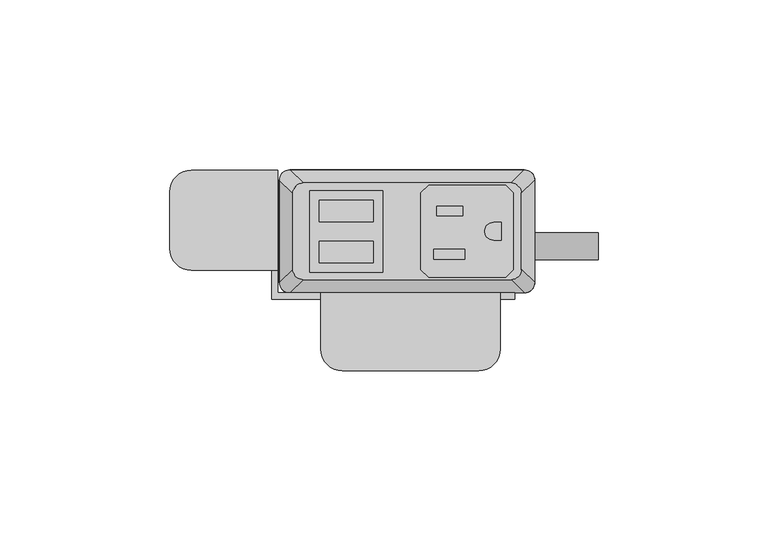
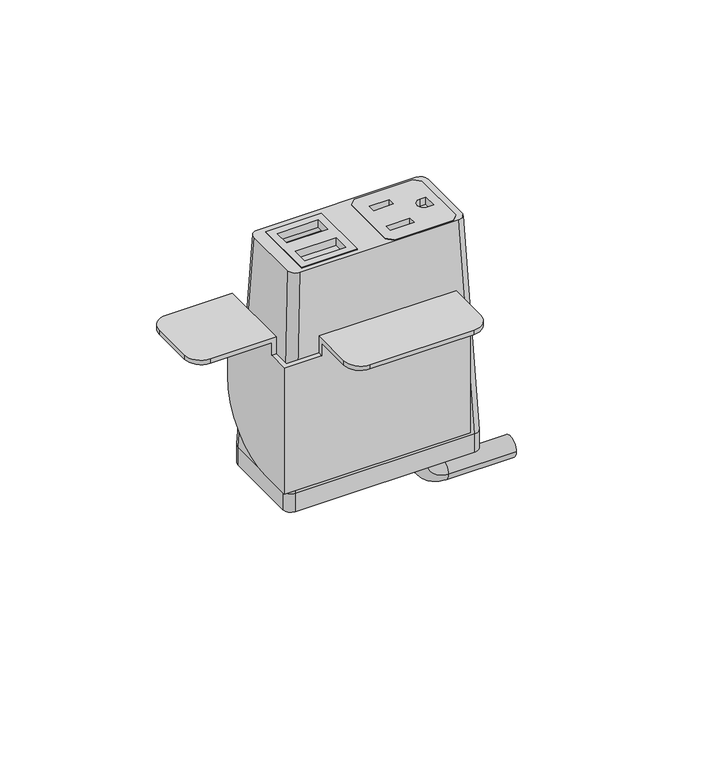
"""IFC4 building model written with IfcOpenShell, lengths in millimetres: furniture geometry."""

from ifc_helpers import new_model, si_unit, point, frame, frame_2d, origin, place, context, project, spatial, polyline, circle_curve, ellipse_curve, trimmed, segment, composite_curve, outline, extrude, source, transform, mapped, element, save
from ifc_brep_helpers import plane_surface, cylinder_surface, revolved_surface, extruded_surface, advanced_brep


def furniture_7bc5276d(model_context):
    return source(origin(), model_context, "Body", "SolidModel", [
        extrude(outline(polyline([(28.9877496, 31.6867491), (31.2737497, 29.400774), (31.2737497, 6.7950272), (28.9877496, 4.5090526), (6.3817502, 4.5090526), (4.0957501, 6.7950272), (4.0957501, 29.400774), (6.3817502, 31.6867491), (28.9877496, 31.6867491)]), holes=[polyline([(16.3893498, 25.5262103), (8.71855, 25.5262103), (8.71855, 22.6814439), (16.3893498, 22.6814439), (16.3893498, 25.5262103)]), polyline([(17.0497496, 12.7755533), (7.8041498, 12.7755533), (7.8041498, 9.9307858), (17.0497496, 9.9307858), (17.0497496, 12.7755533)]), composite_curve([segment(polyline([(27.7177508, 20.7140722), (25.4427305, 20.7140722)]), True, "CONTINUOUS"), segment(trimmed(circle_curve(frame_2d((25.4427305, 18.0979012)), 2.616171), [point((25.4427305, 20.7140722))], [point((25.4427305, 15.4817301))], True, "CARTESIAN"), True, "CONTINUOUS"), segment(polyline([(25.4427305, 15.4817301), (27.7177508, 15.4817301), (27.7177508, 20.7140722)]), True, "CONTINUOUS")], self_intersect=False)]), frame((0.0, 0.0, 751.9347965), z_axis=(0.0, 0.0, 1.0), x_axis=(1.0, 0.0, 0.0)), (0.0, 0.0, 1.0), 2.9555086),
        extrude(outline(polyline([(-28.6985163, 30.0736276), (-7.143469, 30.0736276), (-7.143469, 6.0162042), (-28.6985163, 6.0162042), (-28.6985163, 30.0736276)]), holes=[polyline([(-9.9834931, 27.2024139), (-25.8584916, 27.2025547), (-25.8584916, 20.8524858), (-9.9834931, 20.8524858), (-9.9834931, 27.2024139)]), polyline([(-9.9834931, 15.1725012), (-25.8584916, 15.1726408), (-25.8584916, 8.8225725), (-9.9834931, 8.8225725), (-9.9834931, 15.1725012)])]), frame((0.0, 0.0, 751.9347965), z_axis=(0.0, 0.0, 1.0), x_axis=(1.0, 0.0, 0.0)), (0.0, 0.0, 1.0), 2.9555086),
        advanced_brep(
        [(-30.6070003, 32.3219007, 754.8771223), (-33.6549997, 29.2739013, 754.8771223), (-33.6549997, 6.9219002, 754.8771223), (-30.6070003, 3.8739008, 754.8771223), (30.6070003, 3.8739008, 754.8771223), (33.6549997, 6.9219002, 754.8771223), (33.6549997, 29.2739013, 754.8771223), (30.6070003, 32.3219007, 754.8771223), (-7.143469, 30.0736276, 754.8771223), (-7.143469, 6.0162042, 754.8771223), (-28.6985163, 6.0162042, 754.8771223), (-28.6985163, 30.0736276, 754.8771223), (4.0957501, 29.400774, 754.8771223), (6.3817502, 31.6867491, 754.8771223), (28.9877496, 31.6867491, 754.8771223), (31.2737497, 29.400774, 754.8771223), (31.2737497, 6.7950272, 754.8771223), (28.9877496, 4.5090526, 754.8771223), (6.3817502, 4.5090526, 754.8771223), (4.0957501, 6.7950272, 754.8771223), (-34.5440011, 36.1954015, 668.5303034), (34.5440011, 36.1954015, 668.5303034), (37.5920005, 33.1474021, 668.5303034), (37.5920005, 3.0484002, 668.5303034), (34.5440011, 0.0004009, 668.5303034), (-34.5440011, 0.0004009, 668.5303034), (-37.5920005, 3.0484002, 668.5303034), (-37.5920005, 33.1474021, 668.5303034), (-7.143469, 30.0736276, 747.7351811), (-28.6985163, 30.0736276, 747.7351811), (-28.6985163, 6.0162042, 747.7351811), (-7.143469, 6.0162042, 747.7351811), (4.0957501, 29.400774, 747.7351811), (4.0957501, 6.7950272, 747.7351811), (6.3817502, 4.5090526, 747.7351811), (28.9877496, 4.5090526, 747.7351811), (31.2737497, 6.7950272, 747.7351811), (31.2737497, 29.400774, 747.7351811), (28.9877496, 31.6867491, 747.7351811), (6.3817502, 31.6867491, 747.7351811)],
        [
            (0, 1, circle_curve(frame((-30.6070003, 29.2739013, 754.8771223), z_axis=(0.0, 0.0, 1.0), x_axis=(-1.0, 0.0, 0.0)), 3.0479994)),
            (1, 2),
            (2, 3, circle_curve(frame((-30.6070003, 6.9219002, 754.8771223), z_axis=(0.0, 0.0, 1.0), x_axis=(-1.0, 0.0, 0.0)), 3.0479994)),
            (3, 4),
            (4, 5, circle_curve(frame((30.6070003, 6.9219002, 754.8771223), z_axis=(0.0, 0.0, 1.0), x_axis=(-1.0, 0.0, 0.0)), 3.0479994)),
            (5, 6),
            (6, 7, circle_curve(frame((30.6070003, 29.2739013, 754.8771223), z_axis=(0.0, 0.0, 1.0), x_axis=(-1.0, 0.0, 0.0)), 3.0479994)),
            (7, 0),
            (8, 9),
            (9, 10),
            (10, 11),
            (11, 8),
            (12, 13),
            (13, 14),
            (14, 15),
            (15, 16),
            (16, 17),
            (17, 18),
            (18, 19),
            (19, 12),
            (20, 21),
            (21, 22, circle_curve(frame((34.5440011, 33.1474021, 668.5303034), z_axis=(0.0, 0.0, -1.0), x_axis=(-1.0, 0.0, 0.0)), 3.0479994)),
            (22, 23),
            (23, 24, circle_curve(frame((34.5440011, 3.0484002, 668.5303034), z_axis=(0.0, 0.0, -1.0), x_axis=(-1.0, 0.0, 0.0)), 3.0479994)),
            (24, 25),
            (25, 26, circle_curve(frame((-34.5440011, 3.0484002, 668.5303034), z_axis=(0.0, 0.0, -1.0), x_axis=(-1.0, 0.0, 0.0)), 3.0479994)),
            (26, 27),
            (27, 20, circle_curve(frame((-34.5440011, 33.1474021, 668.5303034), z_axis=(0.0, 0.0, -1.0), x_axis=(-1.0, 0.0, 0.0)), 3.0479994)),
            (0, 20),
            (27, 1),
            (26, 2),
            (25, 3),
            (24, 4),
            (23, 5),
            (22, 6),
            (21, 7),
            (28, 29),
            (29, 30),
            (30, 31),
            (31, 28),
            (32, 33),
            (33, 34),
            (34, 35),
            (35, 36),
            (36, 37),
            (37, 38),
            (38, 39),
            (39, 32),
            (31, 9),
            (8, 28),
            (30, 10),
            (29, 11),
            (39, 13),
            (12, 32),
            (38, 14),
            (37, 15),
            (36, 16),
            (35, 17),
            (34, 18),
            (33, 19),
        ],
        [
            plane_surface(frame((0.0, 18.0979007, 754.8771223), z_axis=(0.0, 0.0, 1.0), x_axis=(-1.0, 0.0, 0.0))),
            plane_surface(frame((0.0, 18.0979012, 668.5303034), z_axis=(0.0, 0.0, -1.0), x_axis=(-1.0, 0.0, 0.0))),
            extruded_surface(trimmed(circle_curve(frame((-34.5440011, 33.1474021, 668.5303034), z_axis=(0.0, 0.0, 1.0), x_axis=(-1.0, 0.0, 0.0)), 3.0479994), [point((-34.5440011, 36.1954015, 668.5303034))], [point((-37.5920005, 33.1474021, 668.5303034))], True, "CARTESIAN"), (3.9370008000000034, -3.873500800000002, 86.34681890000002), 86.52327500676452),
            plane_surface(frame((-37.5920005, 18.0979012, 668.5303034), z_axis=(-0.9989621566211194, 0.0, 0.04554788292425982), x_axis=(0.0, -1.0, 0.0))),
            extruded_surface(trimmed(circle_curve(frame((-34.5440011, 3.0484002, 668.5303034), z_axis=(0.0, 0.0, 1.0), x_axis=(-1.0, 0.0, 0.0)), 3.0479994), [point((-37.5920005, 3.0484002, 668.5303034))], [point((-34.5440011, 0.0004009, 668.5303034))], True, "CARTESIAN"), (3.9370008000000034, 3.8734999999999995, 86.34681890000002), 86.52327497094987),
            plane_surface(frame((0.0, 0.0004009, 668.5303034), z_axis=(0.0, -0.9989953158490498, 0.044814717578687276), x_axis=(1.0, 0.0, 0.0))),
            extruded_surface(trimmed(circle_curve(frame((34.5440011, 3.0484002, 668.5303034), z_axis=(0.0, 0.0, 1.0), x_axis=(-1.0, 0.0, 0.0)), 3.0479994), [point((34.5440011, 0.0004009, 668.5303034))], [point((37.5920005, 3.0484002, 668.5303034))], True, "CARTESIAN"), (-3.9370008000000034, 3.8734999999999995, 86.34681890000002), 86.52327497094987),
            plane_surface(frame((37.5920005, 18.0979012, 668.5303034), z_axis=(0.9989621566211194, 0.0, 0.04554788292425977), x_axis=(0.0, 1.0, 0.0))),
            extruded_surface(trimmed(circle_curve(frame((34.5440011, 33.1474021, 668.5303034), z_axis=(0.0, 0.0, 1.0), x_axis=(-1.0, 0.0, 0.0)), 3.0479994), [point((37.5920005, 33.1474021, 668.5303034))], [point((34.5440011, 36.1954015, 668.5303034))], True, "CARTESIAN"), (-3.9370008000000034, -3.873500800000002, 86.34681890000002), 86.52327500676452),
            plane_surface(frame((0.0, 36.1954015, 668.5303034), z_axis=(0.0, 0.9989953153818162, 0.04481472799410512), x_axis=(-1.0, 0.0, 0.0))),
            plane_surface(frame((-7.143469, 30.0736276, 747.7351811), z_axis=(0.0, 0.0, 1.0), x_axis=(0.0, -1.0, 0.0))),
            plane_surface(frame((-7.143469, 30.0736276, 747.7351811), z_axis=(-1.0, 0.0, 0.0), x_axis=(0.0, 0.0, 1.0))),
            plane_surface(frame((-7.143469, 6.0162042, 747.7351811), z_axis=(0.0, 1.0, 0.0), x_axis=(0.0, 0.0, 1.0))),
            plane_surface(frame((-28.6985163, 6.0162042, 747.7351811), z_axis=(1.0, 0.0, 0.0), x_axis=(0.0, 0.0, 1.0))),
            plane_surface(frame((-28.6985163, 30.0736276, 747.7351811), z_axis=(0.0, -1.0, 0.0), x_axis=(0.0, 0.0, 1.0))),
            plane_surface(frame((4.0957501, 29.400774, 747.7351811), z_axis=(0.7071029176939239, -0.707110644658062, 0.0), x_axis=(0.0, 0.0, 1.0))),
            plane_surface(frame((6.3817502, 31.6867491, 747.7351811), z_axis=(0.0, -1.0, 0.0), x_axis=(0.0, 0.0, 1.0))),
            plane_surface(frame((28.9877496, 31.6867491, 747.7351811), z_axis=(-0.7071029176939239, -0.707110644658062, 0.0), x_axis=(0.0, 0.0, 1.0))),
            plane_surface(frame((31.2737497, 29.400774, 747.7351811), z_axis=(-1.0, 0.0, 0.0), x_axis=(0.0, 0.0, 1.0))),
            plane_surface(frame((31.2737497, 6.7950272, 747.7351811), z_axis=(-0.7071028298865373, 0.7071107324644781, 0.0), x_axis=(0.0, 0.0, 1.0))),
            plane_surface(frame((28.9877496, 4.5090526, 747.7351811), z_axis=(0.0, 1.0, 0.0), x_axis=(0.0, 0.0, 1.0))),
            plane_surface(frame((6.3817502, 4.5090526, 747.7351811), z_axis=(0.7071028298865373, 0.7071107324644781, 0.0), x_axis=(0.0, 0.0, 1.0))),
            plane_surface(frame((4.0957501, 6.7950272, 747.7351811), z_axis=(1.0, 0.0, 0.0), x_axis=(0.0, 0.0, 1.0))),
        ],
        [
            (0, [[1, 2, 3, 4, 5, 6, 7, 8], [9, 10, 11, 12], [13, 14, 15, 16, 17, 18, 19, 20]]),
            (1, [[21, 22, 23, 24, 25, 26, 27, 28]]),
            (2, [[-1, 29, -28, 30]]),
            (3, [[-2, -30, -27, 31]]),
            (4, [[-3, -31, -26, 32]]),
            (5, [[-4, -32, -25, 33]]),
            (6, [[-5, -33, -24, 34]]),
            (7, [[-6, -34, -23, 35]]),
            (8, [[-7, -35, -22, 36]]),
            (9, [[-8, -36, -21, -29]]),
            (10, [[37, 38, 39, 40]]),
            (10, [[41, 42, 43, 44, 45, 46, 47, 48]]),
            (11, [[-40, 49, -9, 50]]),
            (12, [[-39, 51, -10, -49]]),
            (13, [[-38, 52, -11, -51]]),
            (14, [[-37, -50, -12, -52]]),
            (15, [[-48, 53, -13, 54]]),
            (16, [[-47, 55, -14, -53]]),
            (17, [[-46, 56, -15, -55]]),
            (18, [[-45, 57, -16, -56]]),
            (19, [[-44, 58, -17, -57]]),
            (20, [[-43, 59, -18, -58]]),
            (21, [[-42, 60, -19, -59]]),
            (22, [[-41, -54, -20, -60]]),
        ],
    ),
        advanced_brep(
        [(21.5715504, 17.7128311, 661.0560948), (21.5715504, 9.7137856, 661.0560948), (21.5715504, 17.7128311, 656.2263421), (21.5715504, 9.7137856, 656.2263421), (30.0384415, 9.7137856, 647.759451), (30.0384415, 17.7128311, 647.759451), (56.2588798, 17.7128311, 647.759451), (56.2588798, 9.7137856, 647.759451)],
        [
            (0, 1, circle_curve(frame((21.5715504, 13.7133083, 661.0560948), z_axis=(0.0, 0.0, 1.0), x_axis=(0.0, -1.0, 0.0)), 3.9995228)),
            (1, 0, circle_curve(frame((21.5715504, 13.7133083, 661.0560948), z_axis=(0.0, 0.0, 1.0), x_axis=(0.0, -1.0, 0.0)), 3.9995228)),
            (0, 2),
            (2, 3, circle_curve(frame((21.5715504, 13.7133083, 656.2263421), z_axis=(0.0, 0.0, 1.0), x_axis=(0.0, -1.0, 0.0)), 3.9995228)),
            (3, 1),
            (3, 2, circle_curve(frame((21.5715504, 13.7133083, 656.2263421), z_axis=(0.0, 0.0, 1.0), x_axis=(0.0, -1.0, 0.0)), 3.9995228)),
            (4, 3, circle_curve(frame((30.0384415, 9.7137856, 656.2263421), z_axis=(0.0, 1.0, 0.0), x_axis=(-1.0, 0.0, 0.0)), 8.4668911)),
            (2, 5, circle_curve(frame((30.0384415, 17.7128311, 656.2263421), z_axis=(0.0, -1.0, 0.0), x_axis=(-1.0, 0.0, 0.0)), 8.4668911)),
            (5, 4, circle_curve(frame((30.0384415, 13.7133083, 647.759451), z_axis=(-1.0, 0.0, 0.0), x_axis=(0.0, -1.0, 0.0)), 3.9995228)),
            (4, 5, circle_curve(frame((30.0384415, 13.7133083, 647.759451), z_axis=(-1.0, 0.0, 0.0), x_axis=(0.0, -1.0, 0.0)), 3.9995228)),
            (6, 7, circle_curve(frame((56.2588798, 13.7133083, 647.759451), z_axis=(1.0, 0.0, 0.0), x_axis=(0.0, -1.0, 0.0)), 3.9995228)),
            (7, 6, circle_curve(frame((56.2588798, 13.7133083, 647.759451), z_axis=(1.0, 0.0, 0.0), x_axis=(0.0, -1.0, 0.0)), 3.9995228)),
            (5, 6),
            (7, 4),
        ],
        [
            plane_surface(frame((21.5715504, 0.0, 661.0560948), z_axis=(0.0, 0.0, 1.0), x_axis=(0.0, -1.0, 0.0))),
            cylinder_surface(frame((21.5715504, 13.7133083, 661.0560948), z_axis=(0.0, 0.0, 1.0), x_axis=(0.0, -1.0, 0.0)), 3.9995228),
            revolved_surface(trimmed(ellipse_curve(frame((21.5715504, 13.7133083, 656.2263421), z_axis=(0.0, 0.0, 1.0), x_axis=(0.0, -1.0, 0.0)), 3.9995228, 3.9995228), [point((21.5715504, 17.7128311, 656.2263421))], [point((21.5715504, 9.7137856, 656.2263421))], True, "CARTESIAN"), (30.0384415, 0.0, 656.2263421), (0.0, -1.0, 0.0)),
            revolved_surface(trimmed(ellipse_curve(frame((21.5715504, 13.7133083, 656.2263421), z_axis=(0.0, 0.0, 1.0), x_axis=(0.0, -1.0, 0.0)), 3.9995228, 3.9995228), [point((21.5715504, 9.7137856, 656.2263421))], [point((21.5715504, 17.7128311, 656.2263421))], True, "CARTESIAN"), (30.0384415, 0.0, 656.2263421), (0.0, -1.0, 0.0)),
            plane_surface(frame((56.2588798, 0.0, 647.759451), z_axis=(1.0, 0.0, 0.0), x_axis=(0.0, -1.0, 0.0))),
            cylinder_surface(frame((30.0384415, 13.7133083, 647.759451), z_axis=(-1.0, 0.0, 0.0), x_axis=(0.0, -1.0, 0.0)), 3.9995228),
        ],
        [
            (0, [[1, 2]]),
            (1, [[-1, 3, 4, 5]]),
            (1, [[-2, -5, 6, -3]]),
            (2, [[7, -4, 8, 9]]),
            (3, [[-8, -6, -7, 10]]),
            (4, [[11, 12]]),
            (5, [[-9, 13, -12, 14]]),
            (5, [[-10, -14, -11, -13]]),
        ],
    ),
        extrude(outline(composite_curve([segment(trimmed(circle_curve(frame_2d((34.5440011, 33.1474021)), 3.0479994), [point((34.5440011, 36.1954015))], [point((37.5920005, 33.1474021))], False, "CARTESIAN"), True, "CONTINUOUS"), segment(polyline([(37.5920005, 33.1474021), (37.5920005, 3.0484002)]), True, "CONTINUOUS"), segment(trimmed(circle_curve(frame_2d((34.5440011, 3.0484002)), 3.0479994), [point((37.5920005, 3.0484002))], [point((34.5440011, 0.0004009))], False, "CARTESIAN"), True, "CONTINUOUS"), segment(polyline([(34.5440011, 0.0004009), (-34.5440011, 0.0004009)]), True, "CONTINUOUS"), segment(trimmed(circle_curve(frame_2d((-34.5440011, 3.0484002)), 3.0479994), [point((-34.5440011, 0.0004009))], [point((-37.5920005, 3.0484002))], False, "CARTESIAN"), True, "CONTINUOUS"), segment(polyline([(-37.5920005, 3.0484002), (-37.5920005, 33.1474021)]), True, "CONTINUOUS"), segment(trimmed(circle_curve(frame_2d((-34.5440011, 33.1474021)), 3.0479994), [point((-37.5920005, 33.1474021))], [point((-34.5440011, 36.1954015))], False, "CARTESIAN"), True, "CONTINUOUS"), segment(polyline([(-34.5440011, 36.1954015), (34.5440011, 36.1954015)]), True, "CONTINUOUS")], self_intersect=False)), frame((0.0, 0.0, 661.0560948), z_axis=(0.0, 0.0, 1.0), x_axis=(1.0, 0.0, 0.0)), (0.0, 0.0, 1.0), 7.4742086),
        advanced_brep(
        [(-63.4998651, 6.6265515, 727.68206), (-69.8498653, 12.9765517, 727.68206), (-69.8498653, 29.7151512, 727.68206), (-63.4998645, 36.0651519, 727.68206), (-39.877862, 36.0651519, 727.68206), (-39.877862, 6.6265515, 727.68206), (27.4321373, -16.6144474, 727.68206), (21.0821366, -22.9644481, 727.68206), (-19.0498626, -22.9644481, 727.68206), (-25.3998622, -16.6144485, 727.68206), (-25.3998622, -1.9078486, 727.68206), (27.4321373, -1.9078486, 727.68206), (-63.4998645, 36.0651519, 729.46006), (-69.8498653, 29.7151512, 729.46006), (-69.8498653, 12.9765517, 729.46006), (-63.4998651, 6.6265515, 729.46006), (-38.0998637, 6.6265515, 729.46006), (-38.0998637, 36.0651519, 729.46006), (-25.3998622, 0.0, 729.46006), (-25.3998622, -16.6144485, 729.46006), (-19.0498626, -22.9644481, 729.46006), (21.0821366, -22.9644481, 729.46006), (27.4321373, -16.6144474, 729.46006), (27.4321373, 0.0, 729.46006), (-38.0998637, 36.0651519, 696.4400597), (-39.877862, 36.0651519, 696.4400597), (-39.877862, 6.6265515, 722.6020597), (-38.0998637, 6.6265515, 722.6020597), (-38.0998637, 0.0, 722.6020597), (-38.0998637, 0.0, 671.0400612), (-38.0998637, 10.6651534, 671.0400612), (27.4321373, -1.9078486, 722.6020597), (27.4321373, 0.0, 722.6020597), (31.7501378, 0.0, 722.6020597), (31.7501378, 0.0, 671.0400612), (-25.3998622, 0.0, 722.6020597), (-25.3998622, -1.9078486, 722.6020597), (-39.877862, 10.6651534, 671.0400612), (-39.877862, -1.9078486, 671.0400612), (-39.877862, -1.9078486, 722.6020597), (31.7501378, -1.9078486, 671.0400612), (31.7501378, -1.9078486, 722.6020597)],
        [
            (0, 1, circle_curve(frame((-63.4998651, 12.9765517, 727.68206), z_axis=(0.0, 0.0, -1.0), x_axis=(-1.0, 0.0, 0.0)), 6.3500002)),
            (1, 2),
            (2, 3, circle_curve(frame((-63.4998645, 29.7151512, 727.68206), z_axis=(0.0, 0.0, -1.0), x_axis=(-1.0, 0.0, 0.0)), 6.3500008)),
            (3, 4),
            (4, 5),
            (5, 0),
            (6, 7, circle_curve(frame((21.0821366, -16.6144474, 727.68206), z_axis=(0.0, 0.0, -1.0), x_axis=(-1.0, 0.0, 0.0)), 6.3500008)),
            (7, 8),
            (8, 9, circle_curve(frame((-19.0498626, -16.6144485, 727.68206), z_axis=(0.0, 0.0, -1.0), x_axis=(-1.0, 0.0, 0.0)), 6.3499996)),
            (9, 10),
            (10, 11),
            (11, 6),
            (12, 13, circle_curve(frame((-63.4998645, 29.7151512, 729.46006), z_axis=(0.0, 0.0, 1.0), x_axis=(-1.0, 0.0, 0.0)), 6.3500008)),
            (13, 14),
            (14, 15, circle_curve(frame((-63.4998651, 12.9765517, 729.46006), z_axis=(0.0, 0.0, 1.0), x_axis=(-1.0, 0.0, 0.0)), 6.3500002)),
            (15, 16),
            (16, 17),
            (17, 12),
            (18, 19),
            (19, 20, circle_curve(frame((-19.0498626, -16.6144485, 729.46006), z_axis=(0.0, 0.0, 1.0), x_axis=(-1.0, 0.0, 0.0)), 6.3499996)),
            (20, 21),
            (21, 22, circle_curve(frame((21.0821366, -16.6144474, 729.46006), z_axis=(0.0, 0.0, 1.0), x_axis=(-1.0, 0.0, 0.0)), 6.3500008)),
            (22, 23),
            (23, 18),
            (3, 12),
            (17, 24),
            (24, 25),
            (25, 4),
            (2, 13),
            (1, 14),
            (0, 15),
            (5, 26),
            (26, 27),
            (27, 16),
            (27, 28),
            (28, 29),
            (29, 30),
            (30, 24, circle_curve(frame((-38.0998637, 10.6651534, 696.4400597), z_axis=(1.0, 0.0, 0.0), x_axis=(0.0, -1.0, 0.0)), 25.3999985)),
            (8, 20),
            (19, 9),
            (7, 21),
            (6, 22),
            (11, 31),
            (31, 32),
            (32, 23),
            (32, 33),
            (33, 34),
            (34, 29),
            (28, 35),
            (35, 18),
            (35, 36),
            (36, 10),
            (25, 37, circle_curve(frame((-39.877862, 10.6651534, 696.4400597), z_axis=(-1.0, 0.0, 0.0), x_axis=(0.0, -1.0, 0.0)), 25.3999985)),
            (37, 38),
            (38, 39),
            (39, 26),
            (30, 37),
            (34, 40),
            (40, 38),
            (40, 41),
            (41, 31),
            (36, 39),
            (41, 33),
        ],
        [
            plane_surface(frame((-63.4998645, 36.0651519, 727.68206), z_axis=(0.0, 0.0, -1.0), x_axis=(1.0, 0.0, 0.0))),
            plane_surface(frame((-63.4998645, 36.0651519, 729.46006), z_axis=(0.0, 0.0, 1.0), x_axis=(-1.0, 0.0, 0.0))),
            plane_surface(frame((-38.0998637, 36.0651519, 729.46006), z_axis=(0.0, 1.0, 0.0), x_axis=(0.0, 0.0, -1.0))),
            cylinder_surface(frame((-63.4998645, 29.7151512, 727.68206), z_axis=(0.0, 0.0, 1.0), x_axis=(-1.0, 0.0, 0.0)), 6.3500008),
            plane_surface(frame((-69.8498653, 29.7151512, 729.46006), z_axis=(-1.0, 0.0, 0.0), x_axis=(0.0, 0.0, -1.0))),
            cylinder_surface(frame((-63.4998651, 12.9765517, 727.68206), z_axis=(0.0, 0.0, 1.0), x_axis=(-1.0, 0.0, 0.0)), 6.3500002),
            plane_surface(frame((-63.4998651, 6.6265515, 729.46006), z_axis=(0.0, -1.0, 0.0), x_axis=(0.0, 0.0, -1.0))),
            plane_surface(frame((-38.0998637, 6.6265515, 729.46006), z_axis=(1.0, 0.0, 0.0), x_axis=(0.0, 0.0, -1.0))),
            cylinder_surface(frame((-19.0498626, -16.6144485, 729.46006), z_axis=(0.0, 0.0, 1.0), x_axis=(-1.0, 0.0, 0.0)), 6.3499996),
            plane_surface(frame((-19.0498626, -22.9644481, 729.46006), z_axis=(0.0, -1.0, 0.0), x_axis=(0.0, 0.0, -1.0))),
            cylinder_surface(frame((21.0821366, -16.6144474, 729.46006), z_axis=(0.0, 0.0, 1.0), x_axis=(-1.0, 0.0, 0.0)), 6.3500008),
            plane_surface(frame((27.4321373, -16.6144474, 729.46006), z_axis=(1.0, 0.0, 0.0), x_axis=(0.0, 0.0, -1.0))),
            plane_surface(frame((27.4321373, 0.0, 729.46006), z_axis=(0.0, 1.0, 0.0), x_axis=(0.0, 0.0, -1.0))),
            plane_surface(frame((-25.3998622, 0.0, 729.46006), z_axis=(-1.0, 0.0, 0.0), x_axis=(0.0, 0.0, -1.0))),
            plane_surface(frame((-39.877862, 36.0651519, 696.4400597), z_axis=(-1.0, 0.0, 0.0), x_axis=(0.0, 0.0, -1.0))),
            cylinder_surface(frame((-38.0998637, 10.6651534, 696.4400597), z_axis=(-1.0, 0.0, 0.0), x_axis=(0.0, -1.0, 0.0)), 25.3999985),
            plane_surface(frame((-39.877862, 10.6651534, 671.0400612), z_axis=(0.0, 0.0, -1.0), x_axis=(1.0, 0.0, 0.0))),
            plane_surface(frame((-39.877862, -1.9078486, 671.0400612), z_axis=(0.0, -1.0, 0.0), x_axis=(1.0, 0.0, 0.0))),
            plane_surface(frame((-39.877862, -1.9078486, 722.6020597), z_axis=(0.0, 0.0, 1.0), x_axis=(1.0, 0.0, 0.0))),
            plane_surface(frame((31.7501378, -1.9078486, 722.6020597), z_axis=(0.0, 0.0, 1.0), x_axis=(0.0, 1.0, 0.0))),
            plane_surface(frame((31.7501378, -1.9078486, 671.0400612), z_axis=(1.0, 0.0, 0.0), x_axis=(0.0, 1.0, 0.0))),
        ],
        [
            (0, [[1, 2, 3, 4, 5, 6]]),
            (0, [[7, 8, 9, 10, 11, 12]]),
            (1, [[13, 14, 15, 16, 17, 18]]),
            (1, [[19, 20, 21, 22, 23, 24]]),
            (2, [[25, -18, 26, 27, 28, -4]]),
            (3, [[-3, 29, -13, -25]]),
            (4, [[-2, 30, -14, -29]]),
            (5, [[-1, 31, -15, -30]]),
            (6, [[-31, -6, 32, 33, 34, -16]]),
            (7, [[-17, -34, 35, 36, 37, 38, -26]]),
            (8, [[-9, 39, -20, 40]]),
            (9, [[-8, 41, -21, -39]]),
            (10, [[-7, 42, -22, -41]]),
            (11, [[-42, -12, 43, 44, 45, -23]]),
            (12, [[-24, -45, 46, 47, 48, -36, 49, 50]]),
            (13, [[-40, -19, -50, 51, 52, -10]]),
            (14, [[53, 54, 55, 56, -32, -5, -28]]),
            (15, [[-53, -27, -38, 57]]),
            (16, [[-57, -37, -48, 58, 59, -54]]),
            (17, [[-55, -59, 60, 61, -43, -11, -52, 62]]),
            (18, [[-62, -51, -49, -35, -33, -56]]),
            (19, [[-61, 63, -46, -44]]),
            (20, [[-60, -58, -47, -63]]),
        ],
    ),
    ])


if __name__ == "__main__":
    model = new_model("IFC4")
    model_context = context("Model", 3, world=origin())
    ifc_project = project(units=[si_unit("LENGTHUNIT", "METRE", prefix="MILLI")], contexts=[model_context])
    site = spatial("IfcSite", under=ifc_project)
    building = spatial("IfcBuilding", under=site)
    placement = place(None, origin())
    furniture_shape = furniture_7bc5276d(model_context)
    element("IfcFurniture", 1, at=placement, inside=building, context=model_context, shape_type="MappedRepresentation", body=[
        mapped(furniture_shape, transform((0.0, 0.0, 0.0), x_axis=(1.0, 0.0, 0.0), y_axis=(0.0, 1.0, 0.0), z_axis=(0.0, 0.0, 1.0))),
    ])
    save(model, "model.ifc")
